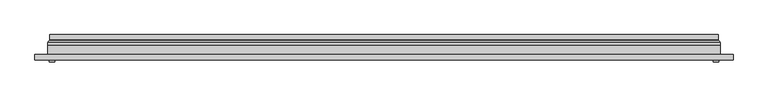
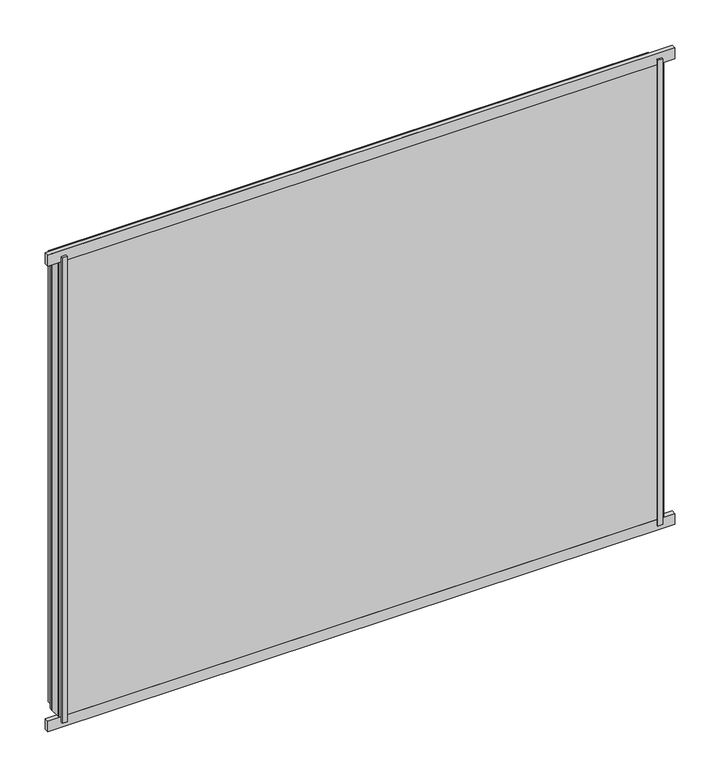
"""IFC4 building model written with IfcOpenShell, lengths in millimetres: plate geometry."""

from ifc_helpers import new_model, si_unit, frame, origin, origin_with_axes, place, context, project, spatial, polyline, ellipse_curve, outline, extrude, source, transform, mapped, element, save
from ifc_brep_helpers import plane_surface, cylinder_surface, revolved_surface, advanced_brep


def plate_0c99d2af(model_context):
    return source(origin(), model_context, "Body", "SolidModel", [
        extrude(outline(polyline([(600.0, -23.0), (610.0, -23.0), (610.0, -27.0), (600.0, -27.0), (600.0, -23.0)])), origin_with_axes(), (0.0, 0.0, 1.0), 1000.0),
        extrude(outline(polyline([(-600.0, -23.0), (-600.0, -27.0), (-610.0, -27.0), (-610.0, -23.0), (-600.0, -23.0)])), origin_with_axes(), (0.0, 0.0, 1.0), 1000.0),
        extrude(outline(polyline([(636.5, -23.0), (-636.5, -23.0), (-636.5, -13.51), (636.5, -13.51), (636.5, -23.0)])), frame((0.0, 0.0, -11.5), z_axis=(0.0, 0.0, 1.0), x_axis=(1.0, 0.0, 0.0)), (0.0, 0.0, 1.0), 23.0),
        extrude(outline(polyline([(636.5, -23.0), (-636.5, -23.0), (-636.5, -13.51), (636.5, -13.51), (636.5, -23.0)])), frame((0.0, 0.0, 988.5), z_axis=(0.0, 0.0, 1.0), x_axis=(1.0, 0.0, 0.0)), (0.0, 0.0, 1.0), 23.0),
        extrude(outline(polyline([(11.5, -613.5), (11.5, 613.5), (988.5, 613.5), (988.5, -613.5), (11.5, -613.5)]), holes=[polyline([(33.5, 591.5), (33.5, -591.5), (966.5, -591.5), (966.5, 591.5), (33.5, 591.5)])]), frame((0.0, -17.0, 0.0), z_axis=(0.0, 1.0, 0.0), x_axis=(0.0, 0.0, 1.0)), (0.0, 0.0, 1.0), 20.0),
        extrude(outline(polyline([(33.5, -591.5), (33.5, 591.5), (966.5, 591.5), (966.5, -591.5), (33.5, -591.5)]), holes=[polyline([(38.5, 586.5), (38.5, -586.5), (961.5, -586.5), (961.5, 586.5), (38.5, 586.5)])]), frame((0.0, -17.0, 0.0), z_axis=(0.0, 1.0, 0.0), x_axis=(0.0, 0.0, 1.0)), (0.0, 0.0, 1.0), 20.0),
        extrude(outline(polyline([(613.5, 9.0), (613.5, 3.0), (-613.5, 3.0), (-613.5, 9.0), (613.5, 9.0)])), frame((0.0, 0.0, 11.5), z_axis=(0.0, 0.0, 1.0), x_axis=(1.0, 0.0, 0.0)), (0.0, 0.0, 1.0), 977.0),
        extrude(outline(polyline([(-613.5, -23.0), (-613.5, -17.0), (613.5, -17.0), (613.5, -23.0), (-613.5, -23.0)])), frame((0.0, 0.0, 11.5), z_axis=(0.0, 0.0, 1.0), x_axis=(1.0, 0.0, 0.0)), (0.0, 0.0, 1.0), 977.0),
        advanced_brep(
        [(-609.0, 23.0, 16.0), (609.0, 23.0, 16.0), (609.0, 13.9230471, 16.0), (-609.0, 13.9230471, 16.0), (-600.0, 12.9110883, 25.0), (600.0, 12.9110883, 25.0), (600.0, 23.0, 25.0), (-600.0, 23.0, 25.0), (609.0, 23.0, 984.0), (609.0, 13.9230471, 984.0), (600.0, 12.9110883, 975.0), (600.0, 23.0, 975.0), (-609.0, 23.0, 984.0), (-609.0, 13.9230471, 984.0), (-600.0, 12.9110883, 975.0), (-600.0, 23.0, 975.0), (-610.2540757, 9.0, 14.7459243), (610.2540757, 9.0, 14.7459243), (610.2540757, 9.0, 985.2540757), (-610.2540757, 9.0, 985.2540757), (599.7, 9.0, 25.3), (-599.7, 9.0, 25.3), (-599.7, 9.0, 974.7), (599.7, 9.0, 974.7), (-599.0625, 11.2166581, 25.9375), (599.0625, 11.2166581, 25.9375), (-610.5737576, 11.9689955, 14.4262425), (610.5737576, 11.9689955, 14.4262425), (599.0625, 11.2166581, 974.0625), (610.5737576, 11.9689955, 985.5737575), (-599.0625, 11.2166581, 974.0625), (-610.5737576, 11.9689955, 985.5737575)],
        [
            (0, 1),
            (1, 2),
            (2, 3),
            (3, 0),
            (4, 5),
            (5, 6),
            (6, 7),
            (7, 4),
            (1, 8),
            (8, 9),
            (9, 2),
            (5, 10),
            (10, 11),
            (11, 6),
            (8, 12),
            (12, 13),
            (13, 9),
            (10, 14),
            (14, 15),
            (15, 11),
            (16, 17),
            (17, 18),
            (18, 19),
            (19, 16),
            (20, 21),
            (21, 22),
            (22, 23),
            (23, 20),
            (12, 0),
            (3, 13),
            (15, 7),
            (14, 4),
            (24, 25),
            (25, 5, ellipse_curve(frame((598.0, 12.9110883, 27.0), z_axis=(0.7071067811865475, 0.0, 0.7071067811865475), x_axis=(0.7071067811865476, 0.0, -0.7071067811865474)), 2.8284271, 2.0)),
            (4, 24, ellipse_curve(frame((-598.0, 12.9110883, 27.0), z_axis=(-0.7071067811865475, 0.0, 0.7071067811865475), x_axis=(0.7071067811865476, 0.0, 0.7071067811865474)), 2.8284271, 2.0)),
            (20, 25, ellipse_curve(frame((599.7, 10.2, 25.3), z_axis=(-0.7071067811865475, 0.0, -0.7071067811865475), x_axis=(-0.7071067811865476, 0.0, 0.7071067811865474)), 1.6970563, 1.2)),
            (24, 21, ellipse_curve(frame((-599.7, 10.2, 25.3), z_axis=(0.7071067811865475, 0.0, -0.7071067811865475), x_axis=(-0.7071067811865476, 0.0, -0.7071067811865474)), 1.6970563, 1.2)),
            (26, 27),
            (27, 17, ellipse_curve(frame((610.2540757, 10.5034569, 14.7459243), z_axis=(-0.7071067811865475, 0.0, -0.7071067811865475), x_axis=(-0.7071067811865476, 0.0, 0.7071067811865474)), 2.1213203, 1.5)),
            (16, 26, ellipse_curve(frame((-610.2540757, 10.5034569, 14.7459243), z_axis=(0.7071067811865475, 0.0, -0.7071067811865475), x_axis=(-0.7071067811865476, 0.0, -0.7071067811865474)), 2.1213203, 1.5)),
            (25, 28),
            (28, 10, ellipse_curve(frame((598.0, 12.9110883, 973.0), z_axis=(-0.7071067811865475, 0.0, 0.7071067811865475), x_axis=(0.7071067811865474, 0.0, 0.7071067811865476)), 2.8284271, 2.0)),
            (23, 28, ellipse_curve(frame((599.7, 10.2, 974.7), z_axis=(0.7071067811865475, 0.0, -0.7071067811865475), x_axis=(-0.7071067811865474, 0.0, -0.7071067811865476)), 1.6970563, 1.2)),
            (27, 29),
            (29, 18, ellipse_curve(frame((610.2540757, 10.5034569, 985.2540757), z_axis=(0.7071067811865475, 0.0, -0.7071067811865475), x_axis=(-0.7071067811865474, 0.0, -0.7071067811865476)), 2.1213203, 1.5)),
            (28, 30),
            (30, 14, ellipse_curve(frame((-598.0, 12.9110883, 973.0), z_axis=(-0.7071067811865475, 0.0, -0.7071067811865475), x_axis=(-0.7071067811865476, 0.0, 0.7071067811865474)), 2.8284271, 2.0)),
            (22, 30, ellipse_curve(frame((-599.7, 10.2, 974.7), z_axis=(0.7071067811865475, 0.0, 0.7071067811865475), x_axis=(0.7071067811865476, 0.0, -0.7071067811865474)), 1.6970563, 1.2)),
            (29, 31),
            (31, 19, ellipse_curve(frame((-610.2540757, 10.5034569, 985.2540757), z_axis=(0.7071067811865475, 0.0, 0.7071067811865475), x_axis=(0.7071067811865476, 0.0, -0.7071067811865474)), 2.1213203, 1.5)),
            (30, 24),
            (31, 26),
            (2, 27, ellipse_curve(frame((611.0, 13.9230471, 14.0), z_axis=(0.7071067811865475, 0.0, 0.7071067811865475), x_axis=(0.7071067811865476, 0.0, -0.7071067811865474)), 2.8284271, 2.0)),
            (26, 3, ellipse_curve(frame((-611.0, 13.9230471, 14.0), z_axis=(-0.7071067811865475, 0.0, 0.7071067811865475), x_axis=(0.7071067811865476, 0.0, 0.7071067811865474)), 2.8284271, 2.0)),
            (9, 29, ellipse_curve(frame((611.0, 13.9230471, 986.0), z_axis=(-0.7071067811865475, 0.0, 0.7071067811865475), x_axis=(0.7071067811865474, 0.0, 0.7071067811865476)), 2.8284271, 2.0)),
            (13, 31, ellipse_curve(frame((-611.0, 13.9230471, 986.0), z_axis=(-0.7071067811865475, 0.0, -0.7071067811865475), x_axis=(-0.7071067811865476, 0.0, 0.7071067811865474)), 2.8284271, 2.0)),
        ],
        [
            plane_surface(frame((-609.0, 13.9230471, 16.0), z_axis=(0.0, 0.0, -1.0), x_axis=(1.0, 0.0, 0.0))),
            plane_surface(frame((-600.0, 23.0, 25.0), z_axis=(0.0, 0.0, 1.0), x_axis=(1.0, 0.0, 0.0))),
            plane_surface(frame((609.0, 13.9230471, 16.0), z_axis=(1.0, 0.0, 0.0), x_axis=(0.0, 0.0, 1.0))),
            plane_surface(frame((600.0, 23.0, 25.0), z_axis=(-1.0, 0.0, 0.0), x_axis=(0.0, 0.0, 1.0))),
            plane_surface(frame((609.0, 13.9230471, 984.0), z_axis=(0.0, 0.0, 1.0), x_axis=(-1.0, 0.0, 0.0))),
            plane_surface(frame((600.0, 23.0, 975.0), z_axis=(0.0, 0.0, -1.0), x_axis=(-1.0, 0.0, 0.0))),
            plane_surface(frame((-599.7, 9.0, 974.7), z_axis=(0.0, -1.0, 0.0), x_axis=(0.0, 0.0, -1.0))),
            plane_surface(frame((-609.0, 13.9230471, 984.0), z_axis=(-1.0, 0.0, 0.0), x_axis=(0.0, 0.0, -1.0))),
            plane_surface(frame((-609.0, 23.0, 984.0), z_axis=(0.0, 1.0, 0.0), x_axis=(0.0, 0.0, -1.0))),
            plane_surface(frame((-600.0, 23.0, 975.0), z_axis=(1.0, 0.0, 0.0), x_axis=(0.0, 0.0, -1.0))),
            revolved_surface(polyline([(600.0, 10.9110883, 27.0), (-600.0, 10.9110883, 27.0)]), (-613.5, 12.9110883, 27.0), (1.0, 0.0, 0.0)),
            cylinder_surface(frame((-613.5, 10.2, 25.3), z_axis=(-1.0, 0.0, 0.0), x_axis=(0.0, -1.0, 0.0)), 1.2),
            cylinder_surface(frame((-613.5, 10.5034569, 14.7459243), z_axis=(-1.0, 0.0, 0.0), x_axis=(0.0, -1.0, 0.0)), 1.5),
            revolved_surface(polyline([(598.0, 10.9110883, 975.0), (598.0, 10.9110883, 25.0)]), (598.0, 12.9110883, 11.5), (0.0, 0.0, 1.0)),
            cylinder_surface(frame((599.7, 10.2, 11.5), z_axis=(0.0, 0.0, -1.0), x_axis=(0.0, -1.0, 0.0)), 1.2),
            cylinder_surface(frame((610.2540757, 10.5034569, 11.5), z_axis=(0.0, 0.0, -1.0), x_axis=(0.0, -1.0, 0.0)), 1.5),
            revolved_surface(polyline([(-600.0, 10.9110883, 973.0), (600.0, 10.9110883, 973.0)]), (613.5, 12.9110883, 973.0), (-1.0, 0.0, 0.0)),
            cylinder_surface(frame((613.5, 10.2, 974.7), z_axis=(1.0, 0.0, 0.0), x_axis=(0.0, -1.0, 0.0)), 1.2),
            cylinder_surface(frame((613.5, 10.5034569, 985.2540757), z_axis=(1.0, 0.0, 0.0), x_axis=(0.0, -1.0, 0.0)), 1.5),
            revolved_surface(polyline([(-598.0, 10.9110883, 25.0), (-598.0, 10.9110883, 975.0)]), (-598.0, 12.9110883, 988.5), (0.0, 0.0, -1.0)),
            cylinder_surface(frame((-599.7, 10.2, 988.5), z_axis=(0.0, 0.0, 1.0), x_axis=(0.0, -1.0, 0.0)), 1.2),
            cylinder_surface(frame((-610.2540757, 10.5034569, 988.5), z_axis=(0.0, 0.0, 1.0), x_axis=(0.0, -1.0, 0.0)), 1.5),
            revolved_surface(polyline([(612.9999999825018, 11.9230471, 14.0), (-612.9999999825018, 11.9230471, 14.0)]), (-613.5, 13.9230471, 14.0), (1.0, 0.0, 0.0)),
            revolved_surface(polyline([(611.0, 11.9230471, 987.9999999825018), (611.0, 11.9230471, 12.000000017498198)]), (611.0, 13.9230471, 11.5), (0.0, 0.0, 1.0)),
            revolved_surface(polyline([(-612.9999999825018, 11.9230471, 986.0), (612.9999999825018, 11.9230471, 986.0)]), (613.5, 13.9230471, 986.0), (-1.0, 0.0, 0.0)),
            revolved_surface(polyline([(-611.0, 11.9230471, 12.000000017498223), (-611.0, 11.9230471, 987.9999999825018)]), (-611.0, 13.9230471, 988.5), (0.0, 0.0, -1.0)),
        ],
        [
            (0, [[1, 2, 3, 4]]),
            (1, [[5, 6, 7, 8]]),
            (2, [[9, 10, 11, -2]]),
            (3, [[12, 13, 14, -6]]),
            (4, [[15, 16, 17, -10]]),
            (5, [[18, 19, 20, -13]]),
            (6, [[21, 22, 23, 24], [25, 26, 27, 28]]),
            (7, [[29, -4, 30, -16]]),
            (8, [[-1, -29, -15, -9], [-7, -14, -20, 31]]),
            (9, [[32, -8, -31, -19]]),
            (10, [[33, 34, -5, 35]]),
            (11, [[-25, 36, -33, 37]]),
            (12, [[38, 39, -21, 40]]),
            (13, [[41, 42, -12, -34]]),
            (14, [[-28, 43, -41, -36]]),
            (15, [[44, 45, -22, -39]]),
            (16, [[46, 47, -18, -42]]),
            (17, [[-27, 48, -46, -43]]),
            (18, [[49, 50, -23, -45]]),
            (19, [[51, -35, -32, -47]]),
            (20, [[-26, -37, -51, -48]]),
            (21, [[52, -40, -24, -50]]),
            (22, [[-3, 53, -38, 54]]),
            (23, [[-11, 55, -44, -53]]),
            (24, [[-17, 56, -49, -55]]),
            (25, [[-30, -54, -52, -56]]),
        ],
    ),
    ])


if __name__ == "__main__":
    model = new_model("IFC4")
    model_context = context("Model", 3, world=origin())
    ifc_project = project(units=[si_unit("LENGTHUNIT", "METRE", prefix="MILLI")], contexts=[model_context])
    site = spatial("IfcSite", under=ifc_project)
    building = spatial("IfcBuilding", under=site)
    placement = place(None, origin())
    plate_shape = plate_0c99d2af(model_context)
    element("IfcPlate", 1, at=placement, inside=building, context=model_context, shape_type="MappedRepresentation", body=[
        mapped(plate_shape, transform((0.0, 0.0, 0.0), x_axis=(1.0, 0.0, 0.0), y_axis=(0.0, 1.0, 0.0), z_axis=(0.0, 0.0, 1.0))),
    ])
    save(model, "model.ifc")
